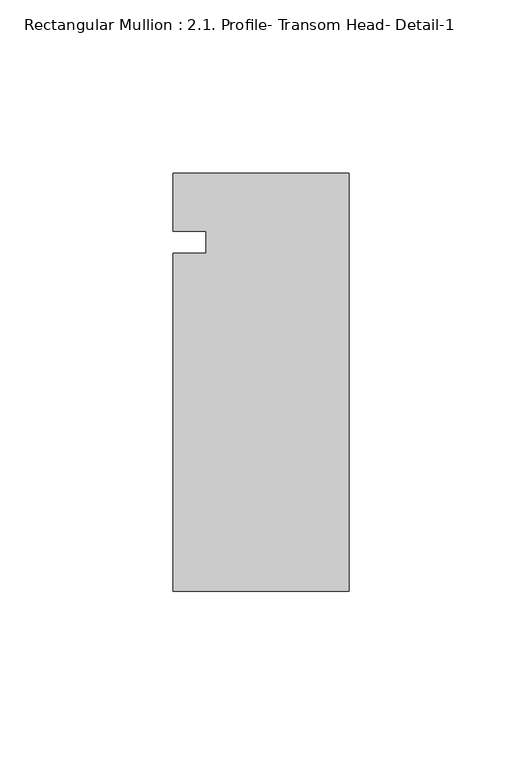
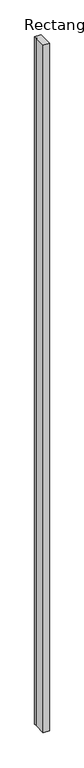
"""IFC4 building model written with IfcOpenShell, lengths in millimetres: member geometry, Rectangular Mullion : 2.1. Profile- Transom Head- Detail-1."""

from ifc_helpers import new_model, si_unit, frame, origin, place, context, project, spatial, polyline, outline, extrude, source, transform, mapped, element, save


def rectangular_mullion_2_1_profile_transom_head_detail_1_4c592021(model_context):
    return source(origin(), model_context, "Body", "SweptSolid", [
        extrude(outline(polyline([(0.0, -59.5211834), (-50.8, -59.5211834), (-50.8, 37.9973028), (-41.275, 37.9973028), (-41.275, 44.4375411), (-50.8, 44.4375411), (-50.8, 61.1288166), (0.0, 61.1288166), (0.0, -59.5211834)])), frame((0.0, 0.0, -5994.4000041), z_axis=(0.0, 0.0, 1.0), x_axis=(1.0, 0.0, 0.0)), (0.0, 0.0, 1.0), 5994.4000041),
    ])


if __name__ == "__main__":
    model = new_model("IFC4")
    model_context = context("Model", 3, world=origin())
    ifc_project = project(units=[si_unit("LENGTHUNIT", "METRE", prefix="MILLI")], contexts=[model_context])
    site = spatial("IfcSite", under=ifc_project)
    building = spatial("IfcBuilding", under=site)
    placement = place(None, origin())
    rectangular_mullion_2_1_profile_transom_head_detail_1_shape = rectangular_mullion_2_1_profile_transom_head_detail_1_4c592021(model_context)
    element("IfcMember", 1, ObjectType="Rectangular Mullion : 2.1. Profile- Transom Head- Detail-1", at=placement, inside=building, context=model_context, shape_type="MappedRepresentation", body=[
        mapped(rectangular_mullion_2_1_profile_transom_head_detail_1_shape, transform((0.0, 0.0, 0.0), x_axis=(1.0, 0.0, 0.0), y_axis=(0.0, 1.0, 0.0), z_axis=(0.0, 0.0, 1.0))),
    ])
    save(model, "model.ifc")
